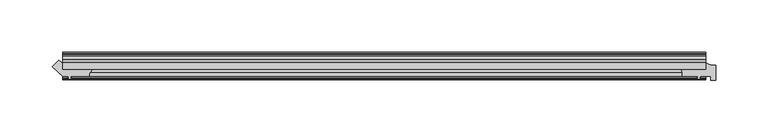
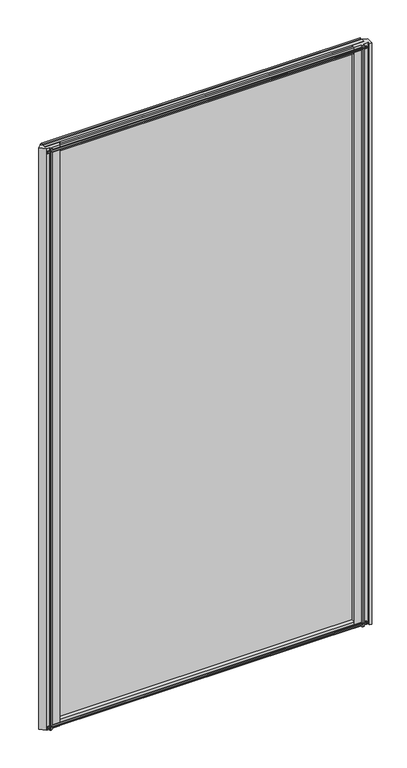
"""IFC4 building model written with IfcOpenShell, lengths in millimetres: plate geometry."""

import ifcopenshell
import ifcopenshell.guid

model = None  # the IFC model being written
_history = None  # IfcOwnerHistory: only IFC2X3 demands one
_inside = {}  # id of a spatial element -> (the spatial element, [elements in it])
_under = {}  # id of a project, library or spatial element -> (it, [spatial elements below it])
_declared = {}  # id of a project -> (the project, [libraries it declares])
_typed = {}  # id of a type object -> (the type object, [elements of that type])
_made_of = {}  # id of a material, layer set ... -> (it, [elements and type objects made of it])


def new_model(schema):
    """Start an empty IFC model of exactly this schema.

    Asked for "IFC4X3", IfcOpenShell would pick the latest addendum, in which some entities
    have other attributes; the version numbers below select the first issue.
    IFC2X3 requires an IfcOwnerHistory on every rooted entity: one is made here for all.
    """
    global model, _history
    if schema == "IFC4X3":
        model = ifcopenshell.file(schema_version=(4, 3, 0, 0))
    else:
        model = ifcopenshell.file(schema=schema)
    _inside.clear()
    _under.clear()
    _declared.clear()
    _typed.clear()
    _made_of.clear()
    _history = None
    if model.schema == "IFC2X3":
        org = make("IfcOrganization", Name="unknown")
        user = make(
            "IfcPersonAndOrganization",
            ThePerson=make("IfcPerson", FamilyName="unknown"),
            TheOrganization=org,
        )
        app = make(
            "IfcApplication",
            ApplicationDeveloper=org,
            Version="unknown",
            ApplicationFullName="unknown",
            ApplicationIdentifier="unknown",
        )
        _history = make(
            "IfcOwnerHistory",
            OwningUser=user,
            OwningApplication=app,
            ChangeAction="ADDED",
            CreationDate=0,
        )
    return model


def make(cls, **values):
    """One entity of the class cls with the attributes given. An attribute that is None is left unset."""
    return model.create_entity(
        cls, **{name: value for name, value in values.items() if value is not None}
    )


def rooted(cls, **values):
    """An entity with a GlobalId (a new one), such as an element, a storey or a relation."""
    return make(cls, GlobalId=ifcopenshell.guid.new(), OwnerHistory=_history, **values)


def si_unit(unit_type, name, prefix=None):
    """IfcSIUnit, for example si_unit("LENGTHUNIT", "METRE", prefix="MILLI")."""
    return make("IfcSIUnit", UnitType=unit_type, Prefix=prefix, Name=name)


def assignment(units):
    """IfcUnitAssignment: the units of a project."""
    return None if units is None else make("IfcUnitAssignment", Units=units)


def point(xyz):
    """IfcCartesianPoint."""
    return None if xyz is None else make("IfcCartesianPoint", Coordinates=xyz)


def direction(xyz):
    """IfcDirection."""
    return None if xyz is None else make("IfcDirection", DirectionRatios=xyz)


def frame(location, z_axis=None, x_axis=None):
    """IfcAxis2Placement3D, a coordinate frame: its origin and axes. An axis left out is left unset."""
    return make(
        "IfcAxis2Placement3D",
        Location=point(location),
        Axis=direction(z_axis),
        RefDirection=direction(x_axis),
    )


def frame_2d(location, x_axis=None):
    """IfcAxis2Placement2D, a coordinate frame in the plane: its origin and x axis."""
    return make(
        "IfcAxis2Placement2D", Location=point(location), RefDirection=direction(x_axis)
    )


def origin():
    """The frame at (0, 0, 0) with its axes left unset."""
    return frame((0.0, 0.0, 0.0))


def place(relative_to, where):
    """IfcLocalPlacement: puts the frame where relative to a parent placement (None: the world)."""
    return make(
        "IfcLocalPlacement", PlacementRelTo=relative_to, RelativePlacement=where
    )


def context(
    kind, dimensions, precision=None, world=None, true_north=None, identifier=None
):
    """IfcGeometricRepresentationContext, for example the 3D "Model" context."""
    return make(
        "IfcGeometricRepresentationContext",
        ContextIdentifier=identifier,
        ContextType=kind,
        CoordinateSpaceDimension=dimensions,
        Precision=precision,
        WorldCoordinateSystem=world,
        TrueNorth=true_north,
    )


def project(units=None, contexts=None):
    """IfcProject with its units and contexts."""
    return rooted(
        "IfcProject",
        Name="project",
        RepresentationContexts=contexts,
        UnitsInContext=assignment(units),
    )


def spatial(cls, under=None, at=None, **own):
    """A site, building, storey or space (cls), placed at a placement, below another one or the project."""
    s = rooted(cls, ObjectPlacement=at, **own)
    if under is not None:
        _under.setdefault(under.id(), (under, []))[1].append(s)
    return s


def polyline(points):
    """IfcPolyline through the points."""
    return make("IfcPolyline", Points=[point(p) for p in points])


def circle_curve(where, radius):
    """IfcCircle in the frame where."""
    return make("IfcCircle", Position=where, Radius=radius)


def trimmed(basis, trim1, trim2, sense, master):
    """IfcTrimmedCurve: the piece of a basis curve between two trims."""
    return make(
        "IfcTrimmedCurve",
        BasisCurve=basis,
        Trim1=trim1,
        Trim2=trim2,
        SenseAgreement=sense,
        MasterRepresentation=master,
    )


def segment(curve, same_sense, transition):
    """IfcCompositeCurveSegment."""
    return make(
        "IfcCompositeCurveSegment",
        Transition=transition,
        SameSense=same_sense,
        ParentCurve=curve,
    )


def composite_curve(segments, self_intersect=None):
    """IfcCompositeCurve: segments joined end to end."""
    return make("IfcCompositeCurve", Segments=segments, SelfIntersect=self_intersect)


def outline(outer, holes=None, kind="AREA"):
    """IfcArbitraryClosedProfileDef: a profile drawn as a closed curve; with holes, ...WithVoids."""
    if holes is None:
        return make("IfcArbitraryClosedProfileDef", ProfileType=kind, OuterCurve=outer)
    return make(
        "IfcArbitraryProfileDefWithVoids",
        ProfileType=kind,
        OuterCurve=outer,
        InnerCurves=holes,
    )


def extrude(swept, where, along, depth):
    """IfcExtrudedAreaSolid: the profile swept, set in the frame where, extruded along a direction by depth."""
    return make(
        "IfcExtrudedAreaSolid",
        SweptArea=swept,
        Position=where,
        ExtrudedDirection=direction(along),
        Depth=depth,
    )


def shape(context_of_items, identifier, shape_type, items):
    """IfcShapeRepresentation: the items that make up one representation, for example the "Body"."""
    return make(
        "IfcShapeRepresentation",
        ContextOfItems=context_of_items,
        RepresentationIdentifier=identifier,
        RepresentationType=shape_type,
        Items=items,
    )


def source(mapping_origin, context_of_items, identifier, shape_type, items):
    """IfcRepresentationMap: a shape defined once, which mapped items show again and again."""
    return make(
        "IfcRepresentationMap",
        MappingOrigin=mapping_origin,
        MappedRepresentation=shape(context_of_items, identifier, shape_type, items),
    )


def transform(
    local_origin,
    x_axis=None,
    y_axis=None,
    z_axis=None,
    scale=None,
    scale2=None,
    scale3=None,
    uniform=True,
):
    """IfcCartesianTransformationOperator3D, or its non-uniform kind. x_axis, y_axis, z_axis: its Axis1, 2, 3."""
    if uniform:
        return make(
            "IfcCartesianTransformationOperator3D",
            Axis1=direction(x_axis),
            Axis2=direction(y_axis),
            LocalOrigin=point(local_origin),
            Scale=scale,
            Axis3=direction(z_axis),
        )
    return make(
        "IfcCartesianTransformationOperator3DnonUniform",
        Axis1=direction(x_axis),
        Axis2=direction(y_axis),
        LocalOrigin=point(local_origin),
        Scale=scale,
        Axis3=direction(z_axis),
        Scale2=scale2,
        Scale3=scale3,
    )


def mapped(mapping_source, mapping_target):
    """IfcMappedItem: shows the shape of a source again, moved by a transform."""
    return make(
        "IfcMappedItem", MappingSource=mapping_source, MappingTarget=mapping_target
    )


def made_of(thing, what):
    """Note that an element or type object is made of a material, layer set ...; save() writes the relation."""
    if what is not None:
        _made_of.setdefault(what.id(), (what, []))[1].append(thing)
    return thing


def element(
    cls,
    number,
    at=None,
    inside=None,
    cuts=None,
    type_object=None,
    material=None,
    context=None,
    identifier="Body",
    shape_type=None,
    held_by="IfcProductDefinitionShape",
    body=None,
    shapes=None,
    **own,
):
    """One element of the class cls, such as IfcWall. Its Tag is "e" and its number.

    at: its placement. inside: the storey or other place that contains it. cuts: it is an
    opening in that element (IfcRelVoidsElement). A single representation is given by context,
    identifier, shape_type and body (its items); several are given by shapes. held_by: the class
    of the entity that holds the representations. save() writes the other relations.
    """
    e = rooted(cls, Tag="e%d" % number, ObjectPlacement=at, **own)
    if body is not None:
        shapes = [shape(context, identifier, shape_type, body)]
    if shapes is not None:
        e.Representation = make(held_by, Representations=shapes)
    if inside is not None:
        _inside.setdefault(inside.id(), (inside, []))[1].append(e)
    if cuts is not None:
        rooted(
            "IfcRelVoidsElement", RelatingBuildingElement=cuts, RelatedOpeningElement=e
        )
    if type_object is not None:
        _typed.setdefault(type_object.id(), (type_object, []))[1].append(e)
    return made_of(e, material)


def aggregate(whole, parts):
    """IfcRelAggregates: a whole, such as a stair, and the parts it consists of."""
    return rooted("IfcRelAggregates", RelatingObject=whole, RelatedObjects=parts)


def save(model, path):
    """Write the relations noted so far, then the file.

    IfcRelAggregates (storeys below a building ...), IfcRelContainedInSpatialStructure (elements
    in a storey), IfcRelDefinesByType, IfcRelAssociatesMaterial and IfcRelDeclares: one each for
    every whole, place, type object, material and project.
    """
    for whole, parts in _under.values():
        aggregate(whole, parts)
    for where, things in _inside.values():
        rooted(
            "IfcRelContainedInSpatialStructure",
            RelatedElements=things,
            RelatingStructure=where,
        )
    for kind, things in _typed.values():
        rooted("IfcRelDefinesByType", RelatedObjects=things, RelatingType=kind)
    for what, things in _made_of.values():
        rooted("IfcRelAssociatesMaterial", RelatedObjects=things, RelatingMaterial=what)
    for by, libraries in _declared.values():
        rooted("IfcRelDeclares", RelatingContext=by, RelatedDefinitions=libraries)
    model.write(path)


def plate_c05a71d2(model_context):
    return source(origin(), model_context, "Body", "SweptSolid", [
        extrude(outline(polyline([(-301.7264677, -19.5460937), (311.152249, -19.5460937), (311.152249, -25.8960937), (-301.7264677, -25.8960937), (-301.7264677, -19.5460937)])), frame((0.0, 0.0, -12.7), z_axis=(0.0, 0.0, 1.0), x_axis=(1.0, 0.0, 0.0)), (0.0, 0.0, 1.0), 1181.1),
        extrude(outline(composite_curve([segment(polyline([(-301.7147837, -19.5460937), (-301.7147837, -25.8960937), (-273.0838216, -25.8960938)]), True, "CONTINUOUS"), segment(trimmed(circle_curve(frame_2d((-268.8673662, -32.4967335)), 7.8324288), [point((-273.0838216, -25.8960938))], [point((-276.6957837, -32.2460937))], True, "CARTESIAN"), True, "CONTINUOUS"), segment(polyline([(-276.6957837, -32.2460937), (-294.0947837, -32.2460937), (-294.4122837, -34.3506957), (-293.1936778, -34.0241712), (-292.9898837, -34.7847412), (-295.3647837, -35.4210937), (-297.7396837, -34.7847412), (-297.5358896, -34.0241712), (-296.3172837, -34.3506957), (-296.6347837, -32.2460937), (-301.7147837, -32.2460937), (-311.6969928, -23.2658376), (-305.6511601, -17.2200049)]), True, "CONTINUOUS"), segment(trimmed(circle_curve(frame_2d((-299.1598513, -10.7286961)), 9.1800971), [point((-305.6511601, -17.2200049))], [point((-301.7147837, -19.5460937))], True, "CARTESIAN"), True, "CONTINUOUS")], self_intersect=False)), frame((0.0, 0.0, -12.7), z_axis=(0.0, 0.0, 1.0), x_axis=(1.0, 0.0, 0.0)), (0.0, 0.0, 1.0), 1181.1),
        extrude(outline(composite_curve([segment(polyline([(320.677249, -22.0782211), (320.677249, -36.1501817), (315.902049, -36.1501817), (315.902049, -32.2460937), (306.0765343, -32.2460937), (305.7590343, -34.3506957), (306.9776402, -34.0241712), (307.1814343, -34.7847412), (304.8065343, -35.4210937), (302.4316343, -34.7847412), (302.6354285, -34.0241712), (303.8540343, -34.3506957), (303.5365343, -32.2460937), (288.928103, -32.2460937)]), True, "CONTINUOUS"), segment(trimmed(circle_curve(frame_2d((280.1226731, -30.493422)), 8.9781654), [point((288.928103, -32.2460937))], [point((287.834484, -25.8960937))], True, "CARTESIAN"), True, "CONTINUOUS"), segment(polyline([(287.834484, -25.8960937), (311.1565343, -25.8960937), (311.1565343, -19.5460937)]), True, "CONTINUOUS"), segment(trimmed(circle_curve(frame_2d((320.677249, -2.913372)), 19.164849), [point((311.1565343, -19.5460937))], [point((320.677249, -22.0782211))], True, "CARTESIAN"), True, "CONTINUOUS")], self_intersect=False)), frame((0.0, 0.0, -12.7), z_axis=(0.0, 0.0, 1.0), x_axis=(1.0, 0.0, 0.0)), (0.0, 0.0, 1.0), 1181.1),
        extrude(outline(polyline([(-13.1960937, 1168.1587), (-13.1960937, 1163.7137), (-10.8158968, 1163.3327), (-11.27583, 1164.748229), (-10.4746158, 1164.748229), (-9.7670937, 1162.5707), (-10.4746158, 1160.3931709), (-11.27583, 1160.3931709), (-10.8158968, 1161.8087), (-13.1960937, 1161.4277), (-13.1960937, 1156.2207), (-19.5460937, 1154.1154229), (-19.5460937, 1165.9460038), (-16.1424937, 1168.1587), (-13.1960937, 1168.1587)])), frame((-301.7264677, 0.0, 0.0), z_axis=(1.0, 0.0, 0.0), x_axis=(0.0, 1.0, 0.0)), (0.0, 0.0, 1.0), 612.8787167),
        extrude(outline(polyline([(-29.2996937, 1167.638), (-25.8960937, 1165.4253038), (-25.8960937, 1153.5947229), (-32.2460937, 1155.7), (-32.2460937, 1160.907), (-34.6262907, 1161.288), (-34.1663575, 1159.8724709), (-34.9675717, 1159.8724709), (-35.6750937, 1162.05), (-34.9675717, 1164.2275291), (-34.1663575, 1164.2275291), (-34.6262907, 1162.812), (-32.2460937, 1163.193), (-32.2460937, 1167.638), (-29.2996937, 1167.638)])), frame((-301.7264677, 0.0, 0.0), z_axis=(1.0, 0.0, 0.0), x_axis=(0.0, 1.0, 0.0)), (0.0, 0.0, 1.0), 612.8787167),
        extrude(outline(polyline([(-25.8960937, 2.1052771), (-25.8960937, -9.7253038), (-29.2996937, -11.938), (-32.2460937, -11.938), (-32.2460937, -7.493), (-34.6262907, -7.112), (-34.1663575, -8.5275291), (-34.9675717, -8.5275291), (-35.6750937, -6.35), (-34.9675717, -4.1724709), (-34.1663575, -4.1724709), (-34.6262907, -5.588), (-32.2460937, -5.207), (-32.2460937, 0.0), (-25.8960937, 2.1052771)])), frame((-301.7264677, 0.0, 0.0), z_axis=(1.0, 0.0, 0.0), x_axis=(0.0, 1.0, 0.0)), (0.0, 0.0, 1.0), 612.8787167),
        extrude(outline(polyline([(-19.5460937, 1.5845771), (-13.1960937, -0.5207), (-13.1960937, -5.7277), (-10.8158968, -6.1087), (-11.27583, -4.6931709), (-10.4746158, -4.6931709), (-9.7670937, -6.8707), (-10.4746158, -9.048229), (-11.27583, -9.048229), (-10.8158968, -7.6327), (-13.1960937, -8.0137), (-13.1960937, -12.4587), (-16.1424937, -12.4587), (-19.5460937, -10.2460038), (-19.5460937, 1.5845771)])), frame((-301.7264677, 0.0, 0.0), z_axis=(1.0, 0.0, 0.0), x_axis=(0.0, 1.0, 0.0)), (0.0, 0.0, 1.0), 612.8787167),
    ])


if __name__ == "__main__":
    model = new_model("IFC4")
    model_context = context("Model", 3, world=origin())
    ifc_project = project(units=[si_unit("LENGTHUNIT", "METRE", prefix="MILLI")], contexts=[model_context])
    site = spatial("IfcSite", under=ifc_project)
    building = spatial("IfcBuilding", under=site)
    placement = place(None, origin())
    plate_shape = plate_c05a71d2(model_context)
    element("IfcPlate", 1, at=placement, inside=building, context=model_context, shape_type="MappedRepresentation", body=[
        mapped(plate_shape, transform((0.0, 0.0, 0.0), x_axis=(1.0, 0.0, 0.0), y_axis=(0.0, 1.0, 0.0), z_axis=(0.0, 0.0, 1.0))),
    ])
    save(model, "model.ifc")
